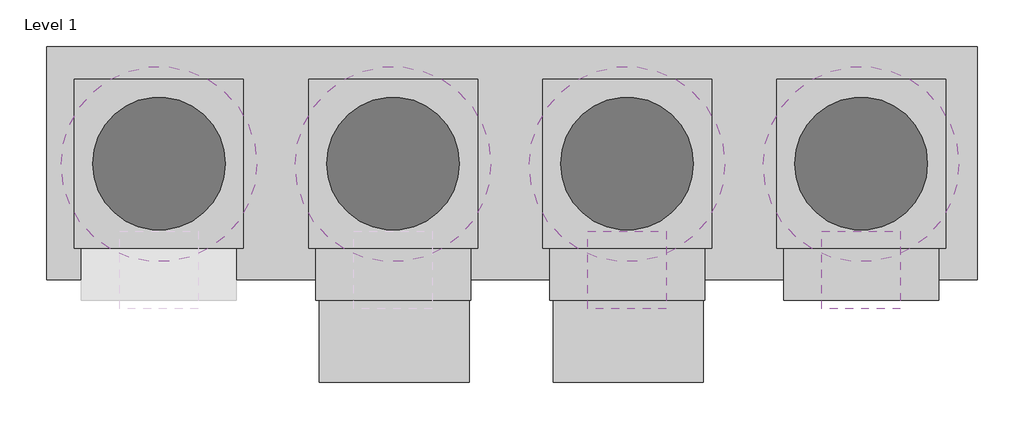
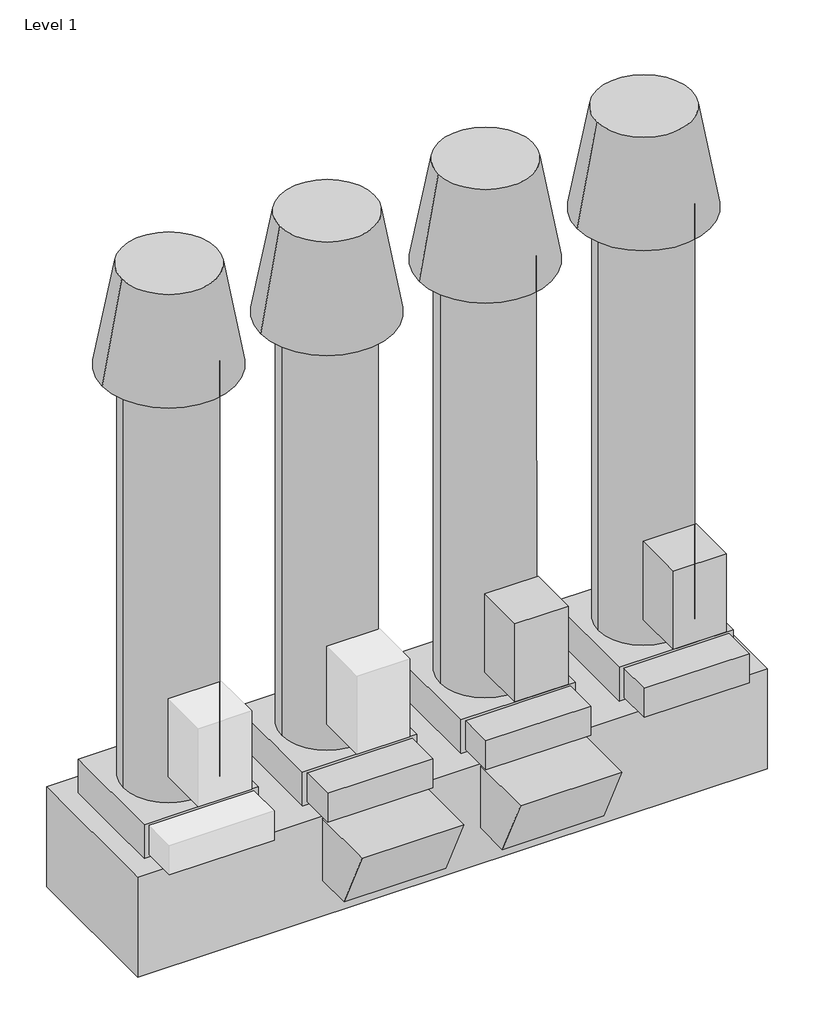
# One storey, part 2 of 2: 20 proxies.
"""IFC4 building model written with IfcOpenShell, lengths in millimetres."""

from ifc_helpers import new_model, si_unit, point, frame, origin, place, context, project, spatial, polyline, circle_curve, trimmed, outline, extrude, element, save
from ifc_brep_helpers import plane_surface, extruded_surface, spline_surface, advanced_brep

model = new_model("IFC4")

# Units and contexts
model_context = context("Model", 3, world=origin())
ifc_project = project(units=[si_unit("LENGTHUNIT", "METRE", prefix="MILLI")], contexts=[model_context])

# Site, building, storey
site = spatial("IfcSite", under=ifc_project)
building = spatial("IfcBuilding", under=site)
storey = spatial("IfcBuildingStorey", under=building, Name="Level 1", Elevation=0.0)

# Proxies
placement = place(None, origin())
element("IfcBuildingElementProxy", 1, Name="Exhaust Fans76 : Exhaust Fans", ObjectType="Exhaust Fans76 : Exhaust Fans", at=placement, inside=storey, context=model_context, shape_type="SweptSolid", body=[
    extrude(outline(polyline([(47616.9437581, 295112.1369716), (47616.9437581, 293415.0994232), (40847.8435643, 293415.0994232), (40847.8435643, 295112.1369716), (47616.9437581, 295112.1369716)])), frame((0.0, 0.0, -609.6), z_axis=(0.0, 0.0, 1.0), x_axis=(1.0, 0.0, 0.0)), (0.0, 0.0, 1.0), 1139.8249758),
])
element("IfcBuildingElementProxy", 2, Name="Exhaust Fans77 : Exhaust Fans", ObjectType="Exhaust Fans77 : Exhaust Fans", at=placement, inside=storey, context=model_context, shape_type="SweptSolid", body=[
    extrude(outline(polyline([(47385.1686612, 294875.5994474), (47385.1686612, 293646.8744474), (46156.4436612, 293646.8744474), (46156.4436612, 294875.5994474), (47385.1686612, 294875.5994474)])), frame((0.0, 0.0, 530.225), z_axis=(0.0, 0.0, 1.0), x_axis=(1.0, 0.0, 0.0)), (0.0, 0.0, 1.0), 384.1750242),
])
element("IfcBuildingElementProxy", 3, Name="Exhaust Fans78 : Exhaust Fans", ObjectType="Exhaust Fans78 : Exhaust Fans", at=placement, inside=storey, context=model_context, shape_type="AdvancedBrep", body=[
    advanced_brep(
    [(47253.466594, 294261.7095456, 5562.6), (46288.266594, 294261.7095456, 5562.6), (47253.4060643, 294261.2369474, 914.4), (46288.2060643, 294261.2369474, 914.4)],
    [
        (0, 1, circle_curve(frame((46770.866594, 294261.7095456, 5562.6), z_axis=(0.0, 0.0, 1.0), x_axis=(-1.0, 0.0, 0.0)), 482.6)),
        (1, 0, circle_curve(frame((46770.866594, 294261.7095456, 5562.6), z_axis=(0.0, 0.0, 1.0), x_axis=(-1.0, 0.0, 0.0)), 482.6)),
        (2, 3, circle_curve(frame((46770.8060643, 294261.2369474, 914.4), z_axis=(0.0, 0.0, -1.0), x_axis=(-1.0, 0.0, 0.0)), 482.6)),
        (3, 2, circle_curve(frame((46770.8060643, 294261.2369474, 914.4), z_axis=(0.0, 0.0, -1.0), x_axis=(-1.0, 0.0, 0.0)), 482.6)),
        (3, 1),
        (0, 2),
    ],
    [
        plane_surface(frame((46770.866594, 294261.7095456, 5562.6), z_axis=(0.0, 0.0, 1.0), x_axis=(-1.0, 0.0, 0.0))),
        plane_surface(frame((46770.8060643, 294261.2369474, 914.4), z_axis=(0.0, 0.0, -1.0), x_axis=(-1.0, 0.0, 0.0))),
        extruded_surface(trimmed(circle_curve(frame((46770.8060643, 294261.2369474, 914.4), z_axis=(0.0, 0.0, 1.0), x_axis=(-1.0, 0.0, 0.0)), 482.6), [point((47253.4060643, 294261.2369474, 914.4))], [point((46288.2060643, 294261.2369474, 914.4))], True, "CARTESIAN"), (0.06052970000018831, 0.47259820002363995, 4648.200000000001), 4648.200024419442),
        extruded_surface(trimmed(circle_curve(frame((46770.8060643, 294261.2369474, 914.4), z_axis=(0.0, 0.0, 1.0), x_axis=(-1.0, 0.0, 0.0)), 482.6), [point((46288.2060643, 294261.2369474, 914.4))], [point((47253.4060643, 294261.2369474, 914.4))], True, "CARTESIAN"), (0.06052970000018831, 0.47259820002363995, 4648.200000000001), 4648.200024419442),
    ],
    [
        (0, [[1, 2]]),
        (1, [[3, 4]]),
        (2, [[-4, 5, -1, 6]]),
        (3, [[-3, -6, -2, -5]]),
    ],
),
])
element("IfcBuildingElementProxy", 4, Name="Exhaust Fans79 : Exhaust Fans", ObjectType="Exhaust Fans79 : Exhaust Fans", at=placement, inside=storey, context=model_context, shape_type="AdvancedBrep", body=[
    advanced_brep(
    [(47285.1560643, 294261.2369474, 6705.6), (46269.1560643, 294261.2369474, 6705.6), (47482.0060885, 294255.815067, 5562.6), (46059.6060885, 294255.815067, 5562.6)],
    [
        (0, 1, circle_curve(frame((46777.1560643, 294261.2369474, 6705.6), z_axis=(0.0, 0.0, 1.0), x_axis=(-1.0, 0.0, 0.0)), 508.0)),
        (1, 0, circle_curve(frame((46777.1560643, 294261.2369474, 6705.6), z_axis=(0.0, 0.0, 1.0), x_axis=(-1.0, 0.0, 0.0)), 508.0)),
        (2, 3, circle_curve(frame((46770.8060885, 294255.815067, 5562.6), z_axis=(0.0, 0.0, -1.0), x_axis=(-1.0, 0.0, 0.0)), 711.2)),
        (3, 2, circle_curve(frame((46770.8060885, 294255.815067, 5562.6), z_axis=(0.0, 0.0, -1.0), x_axis=(-1.0, 0.0, 0.0)), 711.2)),
        (3, 1),
        (0, 2),
    ],
    [
        plane_surface(frame((46777.1560643, 294261.2369474, 6705.6), z_axis=(0.0, 0.0, 1.0), x_axis=(-1.0, 0.0, 0.0))),
        plane_surface(frame((46770.8060885, 294255.815067, 5562.6), z_axis=(0.0, 0.0, -1.0), x_axis=(-1.0, 0.0, 0.0))),
        spline_surface(2, 1, [[(47482.0060885, 294255.815067, 5562.6), (47285.1560643, 294261.2369474, 6705.6)], [(47482.0060885, 294967.015067, 5562.6), (47285.1560643, 294769.2369474, 6705.6)], [(46770.8060885, 294967.015067, 5562.6), (46777.1560643, 294769.2369474, 6705.6)], [(46059.606088500004, 294967.015067, 5562.6), (46269.1560643, 294769.2369474, 6705.6)], [(46059.6060885, 294255.815067, 5562.6), (46269.1560643, 294261.2369474, 6705.6)]], [3, 2, 3], [2, 2], [0.0, 1.0, 2.0], [0.0, 1.0], weights=[[1.0, 1.0], [0.7071067811865476, 0.7071067811865476], [1.0, 1.0], [0.7071067811865511, 0.7071067811865511], [1.0, 1.0]]),
        spline_surface(2, 1, [[(46059.6060885, 294255.815067, 5562.6), (46269.1560643, 294261.2369474, 6705.6)], [(46059.6060885, 293544.615067, 5562.6), (46269.1560643, 293753.2369474, 6705.6)], [(46770.8060885, 293544.615067, 5562.6), (46777.1560643, 293753.2369474, 6705.6)], [(47482.006088500006, 293544.615067, 5562.6), (47285.1560643, 293753.2369474, 6705.6)], [(47482.0060885, 294255.815067, 5562.6), (47285.1560643, 294261.2369474, 6705.6)]], [3, 2, 3], [2, 2], [0.0, 1.0, 2.0], [0.0, 1.0], weights=[[1.0, 1.0], [0.7071067811865476, 0.7071067811865476], [1.0, 1.0], [0.7071067811865439, 0.7071067811865439], [1.0, 1.0]]),
    ],
    [
        (0, [[1, 2]]),
        (1, [[3, 4]]),
        (2, [[-4, 5, -1, 6]]),
        (3, [[-3, -6, -2, -5]]),
    ],
),
])
element("IfcBuildingElementProxy", 5, Name="Exhaust Fans80 : Exhaust Fans", ObjectType="Exhaust Fans80 : Exhaust Fans", at=placement, inside=storey, context=model_context, shape_type="SweptSolid", body=[
    extrude(outline(polyline([(47334.3685643, 293646.8744474), (47334.3685643, 293265.8744474), (46207.2436127, 293265.8744474), (46207.2436127, 293646.8744474), (47334.3685643, 293646.8744474)])), frame((0.0, 0.0, 559.3240959), z_axis=(0.0, 0.0, 1.0), x_axis=(1.0, 0.0, 0.0)), (0.0, 0.0, 1.0), 329.6758799),
])
element("IfcBuildingElementProxy", 6, Name="Exhaust Fans81 : Exhaust Fans", ObjectType="Exhaust Fans81 : Exhaust Fans", at=placement, inside=storey, context=model_context, shape_type="SweptSolid", body=[
    extrude(outline(polyline([(47056.5561612, 293767.314604), (47056.5561612, 293207.1369716), (46485.0561612, 293207.1369716), (46485.0561612, 293767.314604), (47056.5561612, 293767.314604)])), frame((0.0, 0.0, 1270.0280022), z_axis=(0.0, 0.0, 1.0), x_axis=(1.0, 0.0, 0.0)), (0.0, 0.0, 1.0), 888.9999516),
])
element("IfcBuildingElementProxy", 7, Name="Exhaust Fans82 : Exhaust Fans", ObjectType="Exhaust Fans82 : Exhaust Fans", at=placement, inside=storey, context=model_context, shape_type="SweptSolid", body=[
    extrude(outline(polyline([(293415.1256836, -199.9969978), (293008.7549211, -199.9969978), (292672.1757562, 501.6779779), (293415.1256836, 501.6779779), (293415.1256836, -199.9969978)])), frame((44534.0381754, 0.0, 0.0), z_axis=(1.0, 0.0, 0.0), x_axis=(0.0, 1.0, 0.0)), (0.0, 0.0, 1.0), 1090.6124516),
])
element("IfcBuildingElementProxy", 8, Name="Exhaust Fans83 : Exhaust Fans", ObjectType="Exhaust Fans83 : Exhaust Fans", at=placement, inside=storey, context=model_context, shape_type="AdvancedBrep", body=[
    advanced_brep(
    [(45583.3560643, 294261.2369474, 6705.6), (44567.3560643, 294261.2369474, 6705.6), (45780.2060885, 294255.815067, 5562.6), (44357.8060885, 294255.815067, 5562.6)],
    [
        (0, 1, circle_curve(frame((45075.3560643, 294261.2369474, 6705.6), z_axis=(0.0, 0.0, 1.0), x_axis=(-1.0, 0.0, 0.0)), 508.0)),
        (1, 0, circle_curve(frame((45075.3560643, 294261.2369474, 6705.6), z_axis=(0.0, 0.0, 1.0), x_axis=(-1.0, 0.0, 0.0)), 508.0)),
        (2, 3, circle_curve(frame((45069.0060885, 294255.815067, 5562.6), z_axis=(0.0, 0.0, -1.0), x_axis=(-1.0, 0.0, 0.0)), 711.2)),
        (3, 2, circle_curve(frame((45069.0060885, 294255.815067, 5562.6), z_axis=(0.0, 0.0, -1.0), x_axis=(-1.0, 0.0, 0.0)), 711.2)),
        (3, 1),
        (0, 2),
    ],
    [
        plane_surface(frame((45075.3560643, 294261.2369474, 6705.6), z_axis=(0.0, 0.0, 1.0), x_axis=(-1.0, 0.0, 0.0))),
        plane_surface(frame((45069.0060885, 294255.815067, 5562.6), z_axis=(0.0, 0.0, -1.0), x_axis=(-1.0, 0.0, 0.0))),
        spline_surface(2, 1, [[(45780.2060885, 294255.815067, 5562.6), (45583.3560643, 294261.2369474, 6705.6)], [(45780.2060885, 294967.015067, 5562.6), (45583.3560643, 294769.2369474, 6705.6)], [(45069.0060885, 294967.015067, 5562.6), (45075.3560643, 294769.2369474, 6705.6)], [(44357.806088499994, 294967.015067, 5562.6), (44567.3560643, 294769.2369474, 6705.6)], [(44357.8060885, 294255.815067, 5562.6), (44567.3560643, 294261.2369474, 6705.6)]], [3, 2, 3], [2, 2], [0.0, 1.0, 2.0], [0.0, 1.0], weights=[[1.0, 1.0], [0.7071067811865476, 0.7071067811865476], [1.0, 1.0], [0.7071067811865439, 0.7071067811865439], [1.0, 1.0]]),
        spline_surface(2, 1, [[(44357.8060885, 294255.815067, 5562.6), (44567.3560643, 294261.2369474, 6705.6)], [(44357.8060885, 293544.615067, 5562.6), (44567.3560643, 293753.2369474, 6705.6)], [(45069.0060885, 293544.615067, 5562.6), (45075.3560643, 293753.2369474, 6705.6)], [(45780.206088499996, 293544.615067, 5562.6), (45583.3560643, 293753.2369474, 6705.6)], [(45780.2060885, 294255.815067, 5562.6), (45583.3560643, 294261.2369474, 6705.6)]], [3, 2, 3], [2, 2], [0.0, 1.0, 2.0], [0.0, 1.0], weights=[[1.0, 1.0], [0.7071067811865476, 0.7071067811865476], [1.0, 1.0], [0.7071067811865511, 0.7071067811865511], [1.0, 1.0]]),
    ],
    [
        (0, [[1, 2]]),
        (1, [[3, 4]]),
        (2, [[-4, 5, -1, 6]]),
        (3, [[-3, -6, -2, -5]]),
    ],
),
])
element("IfcBuildingElementProxy", 9, Name="Exhaust Fans84 : Exhaust Fans", ObjectType="Exhaust Fans84 : Exhaust Fans", at=placement, inside=storey, context=model_context, shape_type="AdvancedBrep", body=[
    advanced_brep(
    [(43881.5560643, 294261.2369474, 6705.6), (42865.5560643, 294261.2369474, 6705.6), (44078.4060885, 294255.815067, 5562.6), (42656.0060885, 294255.815067, 5562.6)],
    [
        (0, 1, circle_curve(frame((43373.5560643, 294261.2369474, 6705.6), z_axis=(0.0, 0.0, 1.0), x_axis=(-1.0, 0.0, 0.0)), 508.0)),
        (1, 0, circle_curve(frame((43373.5560643, 294261.2369474, 6705.6), z_axis=(0.0, 0.0, 1.0), x_axis=(-1.0, 0.0, 0.0)), 508.0)),
        (2, 3, circle_curve(frame((43367.2060885, 294255.815067, 5562.6), z_axis=(0.0, 0.0, -1.0), x_axis=(-1.0, 0.0, 0.0)), 711.2)),
        (3, 2, circle_curve(frame((43367.2060885, 294255.815067, 5562.6), z_axis=(0.0, 0.0, -1.0), x_axis=(-1.0, 0.0, 0.0)), 711.2)),
        (3, 1),
        (0, 2),
    ],
    [
        plane_surface(frame((43373.5560643, 294261.2369474, 6705.6), z_axis=(0.0, 0.0, 1.0), x_axis=(-1.0, 0.0, 0.0))),
        plane_surface(frame((43367.2060885, 294255.815067, 5562.6), z_axis=(0.0, 0.0, -1.0), x_axis=(-1.0, 0.0, 0.0))),
        spline_surface(2, 1, [[(44078.4060885, 294255.815067, 5562.6), (43881.5560643, 294261.2369474, 6705.6)], [(44078.4060885, 294967.015067, 5562.6), (43881.5560643, 294769.2369474, 6705.6)], [(43367.2060885, 294967.015067, 5562.6), (43373.5560643, 294769.2369474, 6705.6)], [(42656.006088500006, 294967.015067, 5562.6), (42865.5560643, 294769.2369474, 6705.6)], [(42656.0060885, 294255.815067, 5562.6), (42865.5560643, 294261.2369474, 6705.6)]], [3, 2, 3], [2, 2], [0.0, 1.0, 2.0], [0.0, 1.0], weights=[[1.0, 1.0], [0.7071067811865476, 0.7071067811865476], [1.0, 1.0], [0.7071067811865511, 0.7071067811865511], [1.0, 1.0]]),
        spline_surface(2, 1, [[(42656.0060885, 294255.815067, 5562.6), (42865.5560643, 294261.2369474, 6705.6)], [(42656.0060885, 293544.615067, 5562.6), (42865.5560643, 293753.2369474, 6705.6)], [(43367.2060885, 293544.615067, 5562.6), (43373.5560643, 293753.2369474, 6705.6)], [(44078.40608850001, 293544.615067, 5562.6), (43881.5560643, 293753.2369474, 6705.6)], [(44078.4060885, 294255.815067, 5562.6), (43881.5560643, 294261.2369474, 6705.6)]], [3, 2, 3], [2, 2], [0.0, 1.0, 2.0], [0.0, 1.0], weights=[[1.0, 1.0], [0.7071067811865476, 0.7071067811865476], [1.0, 1.0], [0.7071067811865439, 0.7071067811865439], [1.0, 1.0]]),
    ],
    [
        (0, [[1, 2]]),
        (1, [[3, 4]]),
        (2, [[-4, 5, -1, 6]]),
        (3, [[-3, -6, -2, -5]]),
    ],
),
])
element("IfcBuildingElementProxy", 10, Name="Exhaust Fans85 : Exhaust Fans", ObjectType="Exhaust Fans85 : Exhaust Fans", at=placement, inside=storey, context=model_context, shape_type="AdvancedBrep", body=[
    advanced_brep(
    [(42179.7560643, 294261.2369474, 6705.6), (41163.7560643, 294261.2369474, 6705.6), (42376.6060885, 294255.815067, 5562.6), (40954.2060885, 294255.815067, 5562.6)],
    [
        (0, 1, circle_curve(frame((41671.7560643, 294261.2369474, 6705.6), z_axis=(0.0, 0.0, 1.0), x_axis=(-1.0, 0.0, 0.0)), 508.0)),
        (1, 0, circle_curve(frame((41671.7560643, 294261.2369474, 6705.6), z_axis=(0.0, 0.0, 1.0), x_axis=(-1.0, 0.0, 0.0)), 508.0)),
        (2, 3, circle_curve(frame((41665.4060885, 294255.815067, 5562.6), z_axis=(0.0, 0.0, -1.0), x_axis=(-1.0, 0.0, 0.0)), 711.2)),
        (3, 2, circle_curve(frame((41665.4060885, 294255.815067, 5562.6), z_axis=(0.0, 0.0, -1.0), x_axis=(-1.0, 0.0, 0.0)), 711.2)),
        (3, 1),
        (0, 2),
    ],
    [
        plane_surface(frame((41671.7560643, 294261.2369474, 6705.6), z_axis=(0.0, 0.0, 1.0), x_axis=(-1.0, 0.0, 0.0))),
        plane_surface(frame((41665.4060885, 294255.815067, 5562.6), z_axis=(0.0, 0.0, -1.0), x_axis=(-1.0, 0.0, 0.0))),
        spline_surface(2, 1, [[(42376.6060885, 294255.815067, 5562.6), (42179.7560643, 294261.2369474, 6705.6)], [(42376.6060885, 294967.015067, 5562.6), (42179.7560643, 294769.2369474, 6705.6)], [(41665.4060885, 294967.015067, 5562.6), (41671.7560643, 294769.2369474, 6705.6)], [(40954.2060885, 294967.015067, 5562.6), (41163.7560643, 294769.2369474, 6705.6)], [(40954.2060885, 294255.815067, 5562.6), (41163.7560643, 294261.2369474, 6705.6)]], [3, 2, 3], [2, 2], [0.0, 1.0, 2.0], [0.0, 1.0], weights=[[1.0, 1.0], [0.7071067811865476, 0.7071067811865476], [1.0, 1.0], [0.7071067811865476, 0.7071067811865476], [1.0, 1.0]]),
        spline_surface(2, 1, [[(40954.2060885, 294255.815067, 5562.6), (41163.7560643, 294261.2369474, 6705.6)], [(40954.2060885, 293544.615067, 5562.6), (41163.7560643, 293753.2369474, 6705.6)], [(41665.4060885, 293544.615067, 5562.6), (41671.7560643, 293753.2369474, 6705.6)], [(42376.6060885, 293544.615067, 5562.6), (42179.7560643, 293753.2369474, 6705.6)], [(42376.6060885, 294255.815067, 5562.6), (42179.7560643, 294261.2369474, 6705.6)]], [3, 2, 3], [2, 2], [0.0, 1.0, 2.0], [0.0, 1.0], weights=[[1.0, 1.0], [0.7071067811865476, 0.7071067811865476], [1.0, 1.0], [0.7071067811865476, 0.7071067811865476], [1.0, 1.0]]),
    ],
    [
        (0, [[1, 2]]),
        (1, [[3, 4]]),
        (2, [[-4, 5, -1, 6]]),
        (3, [[-3, -6, -2, -5]]),
    ],
),
])
element("IfcBuildingElementProxy", 11, Name="Exhaust Fans86 : Exhaust Fans", ObjectType="Exhaust Fans86 : Exhaust Fans", at=placement, inside=storey, context=model_context, shape_type="AdvancedBrep", body=[
    advanced_brep(
    [(45551.666594, 294261.7095456, 5562.6), (44586.466594, 294261.7095456, 5562.6), (45551.6060643, 294261.2369474, 914.4), (44586.4060643, 294261.2369474, 914.4)],
    [
        (0, 1, circle_curve(frame((45069.066594, 294261.7095456, 5562.6), z_axis=(0.0, 0.0, 1.0), x_axis=(-1.0, 0.0, 0.0)), 482.6)),
        (1, 0, circle_curve(frame((45069.066594, 294261.7095456, 5562.6), z_axis=(0.0, 0.0, 1.0), x_axis=(-1.0, 0.0, 0.0)), 482.6)),
        (2, 3, circle_curve(frame((45069.0060643, 294261.2369474, 914.4), z_axis=(0.0, 0.0, -1.0), x_axis=(-1.0, 0.0, 0.0)), 482.6)),
        (3, 2, circle_curve(frame((45069.0060643, 294261.2369474, 914.4), z_axis=(0.0, 0.0, -1.0), x_axis=(-1.0, 0.0, 0.0)), 482.6)),
        (3, 1),
        (0, 2),
    ],
    [
        plane_surface(frame((45069.066594, 294261.7095456, 5562.6), z_axis=(0.0, 0.0, 1.0), x_axis=(-1.0, 0.0, 0.0))),
        plane_surface(frame((45069.0060643, 294261.2369474, 914.4), z_axis=(0.0, 0.0, -1.0), x_axis=(-1.0, 0.0, 0.0))),
        extruded_surface(trimmed(circle_curve(frame((45069.0060643, 294261.2369474, 914.4), z_axis=(0.0, 0.0, 1.0), x_axis=(-1.0, 0.0, 0.0)), 482.6), [point((45551.6060643, 294261.2369474, 914.4))], [point((44586.4060643, 294261.2369474, 914.4))], True, "CARTESIAN"), (0.06052970000018831, 0.47259820002363995, 4648.200000000001), 4648.200024419442),
        extruded_surface(trimmed(circle_curve(frame((45069.0060643, 294261.2369474, 914.4), z_axis=(0.0, 0.0, 1.0), x_axis=(-1.0, 0.0, 0.0)), 482.6), [point((44586.4060643, 294261.2369474, 914.4))], [point((45551.6060643, 294261.2369474, 914.4))], True, "CARTESIAN"), (0.06052970000018831, 0.47259820002363995, 4648.200000000001), 4648.200024419442),
    ],
    [
        (0, [[1, 2]]),
        (1, [[3, 4]]),
        (2, [[-4, 5, -1, 6]]),
        (3, [[-3, -6, -2, -5]]),
    ],
),
])
element("IfcBuildingElementProxy", 12, Name="Exhaust Fans87 : Exhaust Fans", ObjectType="Exhaust Fans87 : Exhaust Fans", at=placement, inside=storey, context=model_context, shape_type="AdvancedBrep", body=[
    advanced_brep(
    [(43849.866594, 294261.7095456, 5562.6), (42884.666594, 294261.7095456, 5562.6), (43849.8060643, 294261.2369474, 914.4), (42884.6060643, 294261.2369474, 914.4)],
    [
        (0, 1, circle_curve(frame((43367.266594, 294261.7095456, 5562.6), z_axis=(0.0, 0.0, 1.0), x_axis=(-1.0, 0.0, 0.0)), 482.6)),
        (1, 0, circle_curve(frame((43367.266594, 294261.7095456, 5562.6), z_axis=(0.0, 0.0, 1.0), x_axis=(-1.0, 0.0, 0.0)), 482.6)),
        (2, 3, circle_curve(frame((43367.2060643, 294261.2369474, 914.4), z_axis=(0.0, 0.0, -1.0), x_axis=(-1.0, 0.0, 0.0)), 482.6)),
        (3, 2, circle_curve(frame((43367.2060643, 294261.2369474, 914.4), z_axis=(0.0, 0.0, -1.0), x_axis=(-1.0, 0.0, 0.0)), 482.6)),
        (3, 1),
        (0, 2),
    ],
    [
        plane_surface(frame((43367.266594, 294261.7095456, 5562.6), z_axis=(0.0, 0.0, 1.0), x_axis=(-1.0, 0.0, 0.0))),
        plane_surface(frame((43367.2060643, 294261.2369474, 914.4), z_axis=(0.0, 0.0, -1.0), x_axis=(-1.0, 0.0, 0.0))),
        extruded_surface(trimmed(circle_curve(frame((43367.2060643, 294261.2369474, 914.4), z_axis=(0.0, 0.0, 1.0), x_axis=(-1.0, 0.0, 0.0)), 482.6), [point((43849.8060643, 294261.2369474, 914.4))], [point((42884.6060643, 294261.2369474, 914.4))], True, "CARTESIAN"), (0.06052970000018831, 0.47259820002363995, 4648.200000000001), 4648.200024419442),
        extruded_surface(trimmed(circle_curve(frame((43367.2060643, 294261.2369474, 914.4), z_axis=(0.0, 0.0, 1.0), x_axis=(-1.0, 0.0, 0.0)), 482.6), [point((42884.6060643, 294261.2369474, 914.4))], [point((43849.8060643, 294261.2369474, 914.4))], True, "CARTESIAN"), (0.06052970000018831, 0.47259820002363995, 4648.200000000001), 4648.200024419442),
    ],
    [
        (0, [[1, 2]]),
        (1, [[3, 4]]),
        (2, [[-4, 5, -1, 6]]),
        (3, [[-3, -6, -2, -5]]),
    ],
),
])
element("IfcBuildingElementProxy", 13, Name="Exhaust Fans88 : Exhaust Fans", ObjectType="Exhaust Fans88 : Exhaust Fans", at=placement, inside=storey, context=model_context, shape_type="AdvancedBrep", body=[
    advanced_brep(
    [(42148.066594, 294261.7095456, 5562.6), (41182.866594, 294261.7095456, 5562.6), (42148.0060643, 294261.2369474, 914.4), (41182.8060643, 294261.2369474, 914.4)],
    [
        (0, 1, circle_curve(frame((41665.466594, 294261.7095456, 5562.6), z_axis=(0.0, 0.0, 1.0), x_axis=(-1.0, 0.0, 0.0)), 482.6)),
        (1, 0, circle_curve(frame((41665.466594, 294261.7095456, 5562.6), z_axis=(0.0, 0.0, 1.0), x_axis=(-1.0, 0.0, 0.0)), 482.6)),
        (2, 3, circle_curve(frame((41665.4060643, 294261.2369474, 914.4), z_axis=(0.0, 0.0, -1.0), x_axis=(-1.0, 0.0, 0.0)), 482.6)),
        (3, 2, circle_curve(frame((41665.4060643, 294261.2369474, 914.4), z_axis=(0.0, 0.0, -1.0), x_axis=(-1.0, 0.0, 0.0)), 482.6)),
        (3, 1),
        (0, 2),
    ],
    [
        plane_surface(frame((41665.466594, 294261.7095456, 5562.6), z_axis=(0.0, 0.0, 1.0), x_axis=(-1.0, 0.0, 0.0))),
        plane_surface(frame((41665.4060643, 294261.2369474, 914.4), z_axis=(0.0, 0.0, -1.0), x_axis=(-1.0, 0.0, 0.0))),
        extruded_surface(trimmed(circle_curve(frame((41665.4060643, 294261.2369474, 914.4), z_axis=(0.0, 0.0, 1.0), x_axis=(-1.0, 0.0, 0.0)), 482.6), [point((42148.0060643, 294261.2369474, 914.4))], [point((41182.8060643, 294261.2369474, 914.4))], True, "CARTESIAN"), (0.06052970000018831, 0.47259820002363995, 4648.200000000001), 4648.200024419442),
        extruded_surface(trimmed(circle_curve(frame((41665.4060643, 294261.2369474, 914.4), z_axis=(0.0, 0.0, 1.0), x_axis=(-1.0, 0.0, 0.0)), 482.6), [point((41182.8060643, 294261.2369474, 914.4))], [point((42148.0060643, 294261.2369474, 914.4))], True, "CARTESIAN"), (0.06052970000018831, 0.47259820002363995, 4648.200000000001), 4648.200024419442),
    ],
    [
        (0, [[1, 2]]),
        (1, [[3, 4]]),
        (2, [[-4, 5, -1, 6]]),
        (3, [[-3, -6, -2, -5]]),
    ],
),
])
element("IfcBuildingElementProxy", 14, Name="Exhaust Fans89 : Exhaust Fans", ObjectType="Exhaust Fans89 : Exhaust Fans", at=placement, inside=storey, context=model_context, shape_type="SweptSolid", body=[
    extrude(outline(polyline([(45354.7561612, 293767.314604), (45354.7561612, 293207.1369716), (44783.2561612, 293207.1369716), (44783.2561612, 293767.314604), (45354.7561612, 293767.314604)])), frame((0.0, 0.0, 1270.0280022), z_axis=(0.0, 0.0, 1.0), x_axis=(1.0, 0.0, 0.0)), (0.0, 0.0, 1.0), 888.9999516),
])
element("IfcBuildingElementProxy", 15, Name="Exhaust Fans92 : Exhaust Fans", ObjectType="Exhaust Fans92 : Exhaust Fans", at=placement, inside=storey, context=model_context, shape_type="SweptSolid", body=[
    extrude(outline(polyline([(45683.3686612, 294875.5994474), (45683.3686612, 293646.8744474), (44454.6436612, 293646.8744474), (44454.6436612, 294875.5994474), (45683.3686612, 294875.5994474)])), frame((0.0, 0.0, 530.225), z_axis=(0.0, 0.0, 1.0), x_axis=(1.0, 0.0, 0.0)), (0.0, 0.0, 1.0), 384.1750242),
])
element("IfcBuildingElementProxy", 16, Name="Exhaust Fans93 : Exhaust Fans", ObjectType="Exhaust Fans93 : Exhaust Fans", at=placement, inside=storey, context=model_context, shape_type="SweptSolid", body=[
    extrude(outline(polyline([(45632.5685643, 293646.8744474), (45632.5685643, 293265.8744474), (44505.4436127, 293265.8744474), (44505.4436127, 293646.8744474), (45632.5685643, 293646.8744474)])), frame((0.0, 0.0, 559.3240959), z_axis=(0.0, 0.0, 1.0), x_axis=(1.0, 0.0, 0.0)), (0.0, 0.0, 1.0), 329.6758799),
])
element("IfcBuildingElementProxy", 17, Name="Exhaust Fans94 : Exhaust Fans", ObjectType="Exhaust Fans94 : Exhaust Fans", at=placement, inside=storey, context=model_context, shape_type="SweptSolid", body=[
    extrude(outline(polyline([(43981.5686612, 294875.5994474), (43981.5686612, 293646.8744474), (42752.8436612, 293646.8744474), (42752.8436612, 294875.5994474), (43981.5686612, 294875.5994474)])), frame((0.0, 0.0, 530.225), z_axis=(0.0, 0.0, 1.0), x_axis=(1.0, 0.0, 0.0)), (0.0, 0.0, 1.0), 384.1750242),
])
element("IfcBuildingElementProxy", 18, Name="Exhaust Fans95 : Exhaust Fans", ObjectType="Exhaust Fans95 : Exhaust Fans", at=placement, inside=storey, context=model_context, shape_type="SweptSolid", body=[
    extrude(outline(polyline([(43930.7685643, 293646.8744474), (43930.7685643, 293265.8744474), (42803.6436127, 293265.8744474), (42803.6436127, 293646.8744474), (43930.7685643, 293646.8744474)])), frame((0.0, 0.0, 559.3240959), z_axis=(0.0, 0.0, 1.0), x_axis=(1.0, 0.0, 0.0)), (0.0, 0.0, 1.0), 329.6758799),
])
element("IfcBuildingElementProxy", 19, Name="Exhaust Fans96 : Exhaust Fans", ObjectType="Exhaust Fans96 : Exhaust Fans", at=placement, inside=storey, context=model_context, shape_type="SweptSolid", body=[
    extrude(outline(polyline([(42279.7686612, 294875.5994474), (42279.7686612, 293646.8744474), (41051.0436612, 293646.8744474), (41051.0436612, 294875.5994474), (42279.7686612, 294875.5994474)])), frame((0.0, 0.0, 530.225), z_axis=(0.0, 0.0, 1.0), x_axis=(1.0, 0.0, 0.0)), (0.0, 0.0, 1.0), 384.1750242),
])
element("IfcBuildingElementProxy", 20, Name="Exhaust Fans98 : Exhaust Fans", ObjectType="Exhaust Fans98 : Exhaust Fans", at=placement, inside=storey, context=model_context, shape_type="SweptSolid", body=[
    extrude(outline(polyline([(293415.1256836, -199.9969978), (293008.7549211, -199.9969978), (292672.1757562, 501.6779779), (293415.1256836, 501.6779779), (293415.1256836, -199.9969978)])), frame((42832.2381754, 0.0, 0.0), z_axis=(1.0, 0.0, 0.0), x_axis=(0.0, 1.0, 0.0)), (0.0, 0.0, 1.0), 1090.6124516),
])

save(model, "model.ifc")
